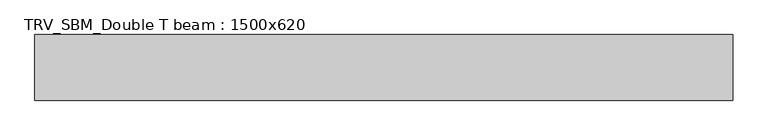
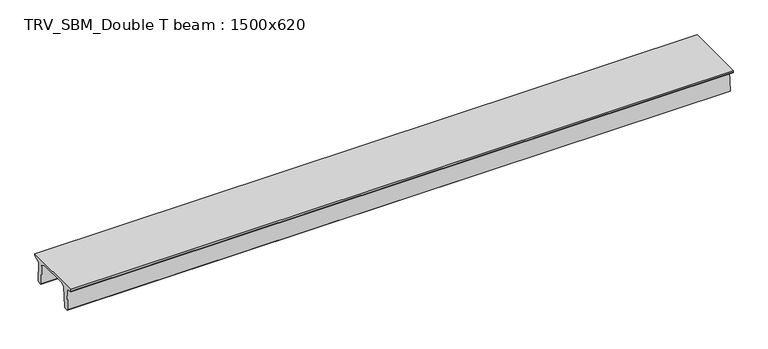
"""IFC4 building model written with IfcOpenShell, lengths in millimetres: beam geometry, TRV_SBM_Double T beam : 1500x620."""

from ifc_helpers import new_model, si_unit, frame, origin, place, context, project, spatial, polyline, outline, extrude, source, transform, mapped, element, save


def trv_sbm_double_t_beam_1500x620_4ddd216d(model_context):
    return source(origin(), model_context, "Body", "SweptSolid", [
        extrude(outline(polyline([(-765.0, 215.0), (-765.0, 260.0), (735.0, 260.0), (735.0, 215.0), (728.2094488, 201.315559), (578.0626443, 140.6523122), (594.8277662, -339.4379646), (574.2657308, -360.0), (484.2657308, -360.0), (464.786332, -340.5206011), (447.8600761, 144.18395), (338.3237744, 210.0), (-367.4555014, 210.0), (-476.5389732, 151.9992892), (-507.0080378, -339.3850967), (-527.622941, -360.0), (-615.122941, -360.0), (-637.1143055, -338.0086356), (-606.1572167, 162.687806), (-761.3068466, 204.260024), (-765.0, 215.0)])), frame((-7980.0, 0.0, 0.0), z_axis=(1.0, 0.0, 0.0), x_axis=(0.0, 1.0, 0.0)), (0.0, 0.0, 1.0), 15960.0),
    ])


if __name__ == "__main__":
    model = new_model("IFC4")
    model_context = context("Model", 3, world=origin())
    ifc_project = project(units=[si_unit("LENGTHUNIT", "METRE", prefix="MILLI")], contexts=[model_context])
    site = spatial("IfcSite", under=ifc_project)
    building = spatial("IfcBuilding", under=site)
    placement = place(None, origin())
    trv_sbm_double_t_beam_1500x620_shape = trv_sbm_double_t_beam_1500x620_4ddd216d(model_context)
    element("IfcBeam", 1, ObjectType="TRV_SBM_Double T beam : 1500x620", at=placement, inside=building, context=model_context, shape_type="MappedRepresentation", body=[
        mapped(trv_sbm_double_t_beam_1500x620_shape, transform((0.0, 0.0, 0.0), x_axis=(1.0, 0.0, 0.0), y_axis=(0.0, 1.0, 0.0), z_axis=(0.0, 0.0, 1.0))),
    ])
    save(model, "model.ifc")
